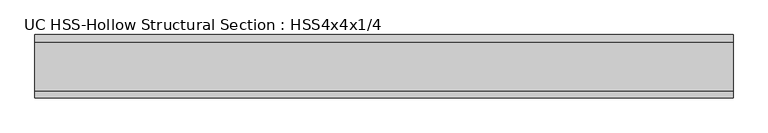
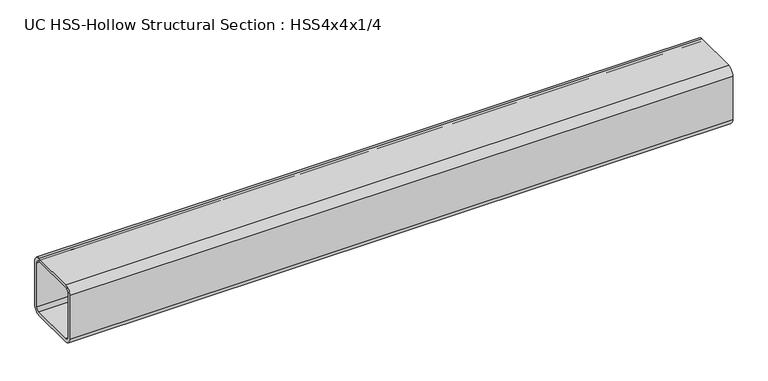
"""IFC4 building model written with IfcOpenShell, lengths in millimetres: beam geometry, UC HSS-Hollow Structural Section : HSS4x4x1/4."""

from ifc_helpers import new_model, si_unit, point, frame, frame_2d, origin, place, context, project, spatial, polyline, circle_curve, trimmed, segment, composite_curve, outline, extrude, source, transform, mapped, element, save


def uc_hss_hollow_structural_section_hss4x4x1_4_2766cfea(model_context):
    return source(origin(), model_context, "Body", "SweptSolid", [
        extrude(outline(composite_curve([segment(polyline([(50.8, 38.9636), (50.8, -38.9636)]), True, "CONTINUOUS"), segment(trimmed(circle_curve(frame_2d((38.9636, -38.9636)), 11.8364), [point((50.8, -38.9636))], [point((38.9636, -50.8))], False, "CARTESIAN"), True, "CONTINUOUS"), segment(polyline([(38.9636, -50.8), (-38.9636, -50.8)]), True, "CONTINUOUS"), segment(trimmed(circle_curve(frame_2d((-38.9636, -38.9636)), 11.8364), [point((-38.9636, -50.8))], [point((-50.8, -38.9636))], False, "CARTESIAN"), True, "CONTINUOUS"), segment(polyline([(-50.8, -38.9636), (-50.8, 38.9636)]), True, "CONTINUOUS"), segment(trimmed(circle_curve(frame_2d((-38.9636, 38.9636)), 11.8364), [point((-50.8, 38.9636))], [point((-38.9636, 50.8))], False, "CARTESIAN"), True, "CONTINUOUS"), segment(polyline([(-38.9636, 50.8), (38.9636, 50.8)]), True, "CONTINUOUS"), segment(trimmed(circle_curve(frame_2d((38.9636, 38.9636)), 11.8364), [point((38.9636, 50.8))], [point((50.8, 38.9636))], False, "CARTESIAN"), True, "CONTINUOUS")], self_intersect=False), holes=[composite_curve([segment(trimmed(circle_curve(frame_2d((-38.9636, 38.9636)), 5.9182), [point((-38.9636, 44.8818))], [point((-44.8818, 38.9636))], True, "CARTESIAN"), True, "CONTINUOUS"), segment(polyline([(-44.8818, 38.9636), (-44.8818, -38.9636)]), True, "CONTINUOUS"), segment(trimmed(circle_curve(frame_2d((-38.9636, -38.9636)), 5.9182), [point((-44.8818, -38.9636))], [point((-38.9636, -44.8818))], True, "CARTESIAN"), True, "CONTINUOUS"), segment(polyline([(-38.9636, -44.8818), (38.9636, -44.8818)]), True, "CONTINUOUS"), segment(trimmed(circle_curve(frame_2d((38.9636, -38.9636)), 5.9182), [point((38.9636, -44.8818))], [point((44.8818, -38.9636))], True, "CARTESIAN"), True, "CONTINUOUS"), segment(polyline([(44.8818, -38.9636), (44.8818, 38.9636)]), True, "CONTINUOUS"), segment(trimmed(circle_curve(frame_2d((38.9636, 38.9636)), 5.9182), [point((44.8818, 38.9636))], [point((38.9636, 44.8818))], True, "CARTESIAN"), True, "CONTINUOUS"), segment(polyline([(38.9636, 44.8818), (-38.9636, 44.8818)]), True, "CONTINUOUS")], self_intersect=False)]), frame((-533.1989163, 0.0, 0.0), z_axis=(1.0, 0.0, 0.0), x_axis=(0.0, 1.0, 0.0)), (0.0, 0.0, 1.0), 1117.0219049),
    ])


if __name__ == "__main__":
    model = new_model("IFC4")
    model_context = context("Model", 3, world=origin())
    ifc_project = project(units=[si_unit("LENGTHUNIT", "METRE", prefix="MILLI")], contexts=[model_context])
    site = spatial("IfcSite", under=ifc_project)
    building = spatial("IfcBuilding", under=site)
    placement = place(None, origin())
    uc_hss_hollow_structural_section_hss4x4x1_4_shape = uc_hss_hollow_structural_section_hss4x4x1_4_2766cfea(model_context)
    element("IfcBeam", 1, ObjectType="UC HSS-Hollow Structural Section : HSS4x4x1/4", at=placement, inside=building, context=model_context, shape_type="MappedRepresentation", body=[
        mapped(uc_hss_hollow_structural_section_hss4x4x1_4_shape, transform((0.0, 0.0, 0.0), x_axis=(1.0, 0.0, 0.0), y_axis=(0.0, 1.0, 0.0), z_axis=(0.0, 0.0, 1.0))),
    ])
    save(model, "model.ifc")
